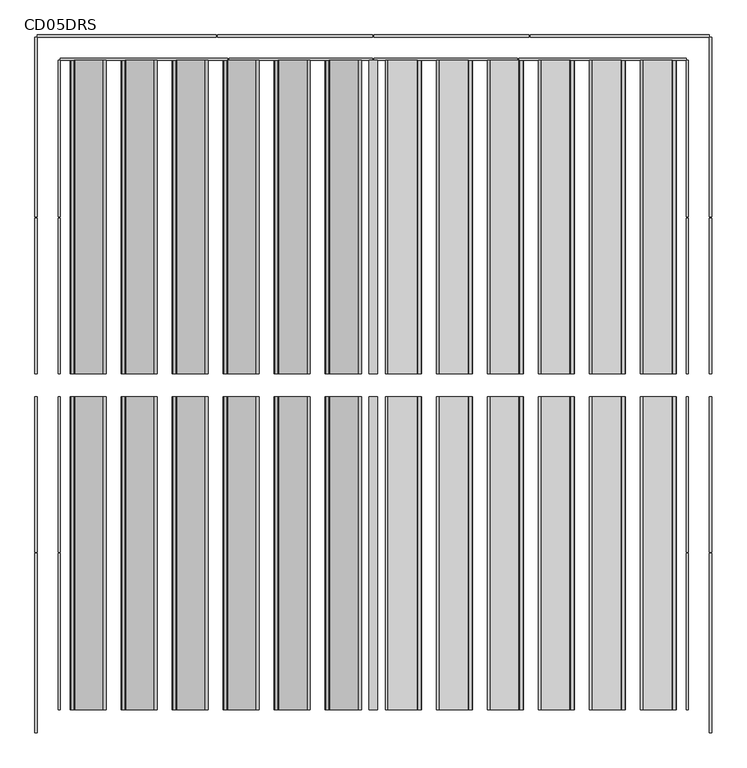
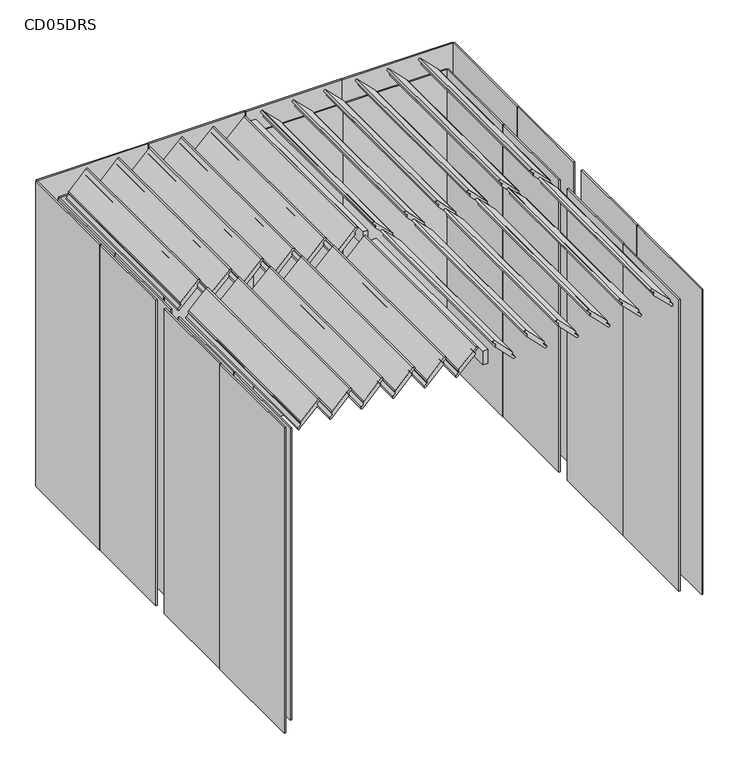
"""IFC4 building model written with IfcOpenShell, lengths in millimetres: furniture geometry, CD05DRS."""

from ifc_helpers import new_model, si_unit, point, frame, frame_2d, origin, origin_with_axes, place, context, project, spatial, polyline, circle_curve, trimmed, segment, composite_curve, outline, extrude, source, transform, mapped, element, save


def cd05drs_483e5000(model_context):
    return source(origin(), model_context, "Body", "SweptSolid", [
        extrude(outline(polyline([(-17.5, 1400.0), (17.5, 1400.0), (17.5, 50.0), (-17.5, 50.0), (-17.5, 1400.0)])), frame((0.0, 0.0, 2150.0), z_axis=(0.0, 0.0, 1.0), x_axis=(1.0, 0.0, 0.0)), (0.0, 0.0, 1.0), 100.0),
        extrude(outline(polyline([(-17.5, -1400.0), (-17.5, -50.0), (17.5, -50.0), (17.5, -1400.0), (-17.5, -1400.0)])), frame((0.0, 0.0, 2150.0), z_axis=(0.0, 0.0, 1.0), x_axis=(1.0, 0.0, 0.0)), (0.0, 0.0, 1.0), 100.0),
        extrude(outline(composite_curve([segment(trimmed(circle_curve(frame_2d((2291.3172798, 1159.2893219)), 7.5), [point((2296.6205807, 1164.5926227))], [point((2286.013979, 1153.986021))], False, "CARTESIAN"), True, "CONTINUOUS"), segment(polyline([(2286.013979, 1153.986021), (2268.3363094, 1171.6636906)]), True, "CONTINUOUS"), segment(trimmed(circle_curve(frame_2d((2263.0330086, 1166.3603897)), 7.5), [point((2268.3363094, 1171.6636906))], [point((2257.7297077, 1171.6636906))], True, "CARTESIAN"), True, "CONTINUOUS"), segment(trimmed(circle_curve(frame_2d((2252.4264069, 1176.9669914)), 7.5), [point((2257.7297077, 1171.6636906))], [point((2247.123106, 1171.6636906))], False, "CARTESIAN"), True, "CONTINUOUS"), segment(polyline([(2247.123106, 1171.6636906), (2123.3794193, 1295.4073773)]), True, "CONTINUOUS"), segment(trimmed(circle_curve(frame_2d((2128.6827202, 1300.7106781)), 7.5), [point((2123.3794193, 1295.4073773))], [point((2133.986021, 1306.013979))], False, "CARTESIAN"), True, "CONTINUOUS"), segment(polyline([(2133.986021, 1306.013979), (2151.6636906, 1288.3363094)]), True, "CONTINUOUS"), segment(trimmed(circle_curve(frame_2d((2156.9669914, 1293.6396103)), 7.5), [point((2151.6636906, 1288.3363094))], [point((2162.2702923, 1288.3363094))], True, "CARTESIAN"), True, "CONTINUOUS"), segment(trimmed(circle_curve(frame_2d((2167.5735931, 1283.0330086)), 7.5), [point((2162.2702923, 1288.3363094))], [point((2172.876894, 1288.3363094))], False, "CARTESIAN"), True, "CONTINUOUS"), segment(polyline([(2172.876894, 1288.3363094), (2296.6205807, 1164.5926227)]), True, "CONTINUOUS")], self_intersect=False)), frame((0.0, 50.0, 0.0), z_axis=(0.0, 1.0, 0.0), x_axis=(0.0, 0.0, 1.0)), (0.0, 0.0, 1.0), 1350.0),
        extrude(outline(composite_curve([segment(trimmed(circle_curve(frame_2d((2291.3172798, 939.2893219)), 7.5), [point((2296.6205807, 944.5926227))], [point((2286.013979, 933.986021))], False, "CARTESIAN"), True, "CONTINUOUS"), segment(polyline([(2286.013979, 933.986021), (2268.3363094, 951.6636906)]), True, "CONTINUOUS"), segment(trimmed(circle_curve(frame_2d((2263.0330086, 946.3603897)), 7.5), [point((2268.3363094, 951.6636906))], [point((2257.7297077, 951.6636906))], True, "CARTESIAN"), True, "CONTINUOUS"), segment(trimmed(circle_curve(frame_2d((2252.4264069, 956.9669914)), 7.5), [point((2257.7297077, 951.6636906))], [point((2247.123106, 951.6636906))], False, "CARTESIAN"), True, "CONTINUOUS"), segment(polyline([(2247.123106, 951.6636906), (2123.3794193, 1075.4073773)]), True, "CONTINUOUS"), segment(trimmed(circle_curve(frame_2d((2128.6827202, 1080.7106781)), 7.5), [point((2123.3794193, 1075.4073773))], [point((2133.986021, 1086.013979))], False, "CARTESIAN"), True, "CONTINUOUS"), segment(polyline([(2133.986021, 1086.013979), (2151.6636906, 1068.3363094)]), True, "CONTINUOUS"), segment(trimmed(circle_curve(frame_2d((2156.9669914, 1073.6396103)), 7.5), [point((2151.6636906, 1068.3363094))], [point((2162.2702923, 1068.3363094))], True, "CARTESIAN"), True, "CONTINUOUS"), segment(trimmed(circle_curve(frame_2d((2167.5735931, 1063.0330086)), 7.5), [point((2162.2702923, 1068.3363094))], [point((2172.876894, 1068.3363094))], False, "CARTESIAN"), True, "CONTINUOUS"), segment(polyline([(2172.876894, 1068.3363094), (2296.6205807, 944.5926227)]), True, "CONTINUOUS")], self_intersect=False)), frame((0.0, 50.0, 0.0), z_axis=(0.0, 1.0, 0.0), x_axis=(0.0, 0.0, 1.0)), (0.0, 0.0, 1.0), 1350.0),
        extrude(outline(composite_curve([segment(trimmed(circle_curve(frame_2d((2291.3172798, 719.2893219)), 7.5), [point((2296.6205807, 724.5926227))], [point((2286.013979, 713.986021))], False, "CARTESIAN"), True, "CONTINUOUS"), segment(polyline([(2286.013979, 713.986021), (2268.3363094, 731.6636906)]), True, "CONTINUOUS"), segment(trimmed(circle_curve(frame_2d((2263.0330086, 726.3603897)), 7.5), [point((2268.3363094, 731.6636906))], [point((2257.7297077, 731.6636906))], True, "CARTESIAN"), True, "CONTINUOUS"), segment(trimmed(circle_curve(frame_2d((2252.4264069, 736.9669914)), 7.5), [point((2257.7297077, 731.6636906))], [point((2247.123106, 731.6636906))], False, "CARTESIAN"), True, "CONTINUOUS"), segment(polyline([(2247.123106, 731.6636906), (2123.3794193, 855.4073773)]), True, "CONTINUOUS"), segment(trimmed(circle_curve(frame_2d((2128.6827202, 860.7106781)), 7.5), [point((2123.3794193, 855.4073773))], [point((2133.986021, 866.013979))], False, "CARTESIAN"), True, "CONTINUOUS"), segment(polyline([(2133.986021, 866.013979), (2151.6636906, 848.3363094)]), True, "CONTINUOUS"), segment(trimmed(circle_curve(frame_2d((2156.9669914, 853.6396103)), 7.5), [point((2151.6636906, 848.3363094))], [point((2162.2702923, 848.3363094))], True, "CARTESIAN"), True, "CONTINUOUS"), segment(trimmed(circle_curve(frame_2d((2167.5735931, 843.0330086)), 7.5), [point((2162.2702923, 848.3363094))], [point((2172.876894, 848.3363094))], False, "CARTESIAN"), True, "CONTINUOUS"), segment(polyline([(2172.876894, 848.3363094), (2296.6205807, 724.5926227)]), True, "CONTINUOUS")], self_intersect=False)), frame((0.0, 50.0, 0.0), z_axis=(0.0, 1.0, 0.0), x_axis=(0.0, 0.0, 1.0)), (0.0, 0.0, 1.0), 1350.0),
        extrude(outline(composite_curve([segment(trimmed(circle_curve(frame_2d((2291.3172798, 499.2893219)), 7.5), [point((2296.6205807, 504.5926227))], [point((2286.013979, 493.986021))], False, "CARTESIAN"), True, "CONTINUOUS"), segment(polyline([(2286.013979, 493.986021), (2268.3363094, 511.6636906)]), True, "CONTINUOUS"), segment(trimmed(circle_curve(frame_2d((2263.0330086, 506.3603897)), 7.5), [point((2268.3363094, 511.6636906))], [point((2257.7297077, 511.6636906))], True, "CARTESIAN"), True, "CONTINUOUS"), segment(trimmed(circle_curve(frame_2d((2252.4264069, 516.9669914)), 7.5), [point((2257.7297077, 511.6636906))], [point((2247.123106, 511.6636906))], False, "CARTESIAN"), True, "CONTINUOUS"), segment(polyline([(2247.123106, 511.6636906), (2123.3794193, 635.4073773)]), True, "CONTINUOUS"), segment(trimmed(circle_curve(frame_2d((2128.6827202, 640.7106781)), 7.5), [point((2123.3794193, 635.4073773))], [point((2133.986021, 646.013979))], False, "CARTESIAN"), True, "CONTINUOUS"), segment(polyline([(2133.986021, 646.013979), (2151.6636906, 628.3363094)]), True, "CONTINUOUS"), segment(trimmed(circle_curve(frame_2d((2156.9669914, 633.6396103)), 7.5), [point((2151.6636906, 628.3363094))], [point((2162.2702923, 628.3363094))], True, "CARTESIAN"), True, "CONTINUOUS"), segment(trimmed(circle_curve(frame_2d((2167.5735931, 623.0330086)), 7.5), [point((2162.2702923, 628.3363094))], [point((2172.876894, 628.3363094))], False, "CARTESIAN"), True, "CONTINUOUS"), segment(polyline([(2172.876894, 628.3363094), (2296.6205807, 504.5926227)]), True, "CONTINUOUS")], self_intersect=False)), frame((0.0, 50.0, 0.0), z_axis=(0.0, 1.0, 0.0), x_axis=(0.0, 0.0, 1.0)), (0.0, 0.0, 1.0), 1350.0),
        extrude(outline(composite_curve([segment(trimmed(circle_curve(frame_2d((2291.3172798, 279.2893219)), 7.5), [point((2296.6205807, 284.5926227))], [point((2286.013979, 273.986021))], False, "CARTESIAN"), True, "CONTINUOUS"), segment(polyline([(2286.013979, 273.986021), (2268.3363094, 291.6636906)]), True, "CONTINUOUS"), segment(trimmed(circle_curve(frame_2d((2263.0330086, 286.3603897)), 7.5), [point((2268.3363094, 291.6636906))], [point((2257.7297077, 291.6636906))], True, "CARTESIAN"), True, "CONTINUOUS"), segment(trimmed(circle_curve(frame_2d((2252.4264069, 296.9669914)), 7.5), [point((2257.7297077, 291.6636906))], [point((2247.123106, 291.6636906))], False, "CARTESIAN"), True, "CONTINUOUS"), segment(polyline([(2247.123106, 291.6636906), (2123.3794193, 415.4073773)]), True, "CONTINUOUS"), segment(trimmed(circle_curve(frame_2d((2128.6827202, 420.7106781)), 7.5), [point((2123.3794193, 415.4073773))], [point((2133.986021, 426.013979))], False, "CARTESIAN"), True, "CONTINUOUS"), segment(polyline([(2133.986021, 426.013979), (2151.6636906, 408.3363094)]), True, "CONTINUOUS"), segment(trimmed(circle_curve(frame_2d((2156.9669914, 413.6396103)), 7.5), [point((2151.6636906, 408.3363094))], [point((2162.2702923, 408.3363094))], True, "CARTESIAN"), True, "CONTINUOUS"), segment(trimmed(circle_curve(frame_2d((2167.5735931, 403.0330086)), 7.5), [point((2162.2702923, 408.3363094))], [point((2172.876894, 408.3363094))], False, "CARTESIAN"), True, "CONTINUOUS"), segment(polyline([(2172.876894, 408.3363094), (2296.6205807, 284.5926227)]), True, "CONTINUOUS")], self_intersect=False)), frame((0.0, 50.0, 0.0), z_axis=(0.0, 1.0, 0.0), x_axis=(0.0, 0.0, 1.0)), (0.0, 0.0, 1.0), 1350.0),
        extrude(outline(composite_curve([segment(trimmed(circle_curve(frame_2d((2291.3172798, 59.2893219)), 7.5), [point((2296.6205807, 64.5926227))], [point((2286.013979, 53.986021))], False, "CARTESIAN"), True, "CONTINUOUS"), segment(polyline([(2286.013979, 53.986021), (2268.3363094, 71.6636906)]), True, "CONTINUOUS"), segment(trimmed(circle_curve(frame_2d((2263.0330086, 66.3603897)), 7.5), [point((2268.3363094, 71.6636906))], [point((2257.7297077, 71.6636906))], True, "CARTESIAN"), True, "CONTINUOUS"), segment(trimmed(circle_curve(frame_2d((2252.4264069, 76.9669914)), 7.5), [point((2257.7297077, 71.6636906))], [point((2247.123106, 71.6636906))], False, "CARTESIAN"), True, "CONTINUOUS"), segment(polyline([(2247.123106, 71.6636906), (2123.3794193, 195.4073773)]), True, "CONTINUOUS"), segment(trimmed(circle_curve(frame_2d((2128.6827202, 200.7106781)), 7.5), [point((2123.3794193, 195.4073773))], [point((2133.986021, 206.013979))], False, "CARTESIAN"), True, "CONTINUOUS"), segment(polyline([(2133.986021, 206.013979), (2151.6636906, 188.3363094)]), True, "CONTINUOUS"), segment(trimmed(circle_curve(frame_2d((2156.9669914, 193.6396103)), 7.5), [point((2151.6636906, 188.3363094))], [point((2162.2702923, 188.3363094))], True, "CARTESIAN"), True, "CONTINUOUS"), segment(trimmed(circle_curve(frame_2d((2167.5735931, 183.0330086)), 7.5), [point((2162.2702923, 188.3363094))], [point((2172.876894, 188.3363094))], False, "CARTESIAN"), True, "CONTINUOUS"), segment(polyline([(2172.876894, 188.3363094), (2296.6205807, 64.5926227)]), True, "CONTINUOUS")], self_intersect=False)), frame((0.0, 50.0, 0.0), z_axis=(0.0, 1.0, 0.0), x_axis=(0.0, 0.0, 1.0)), (0.0, 0.0, 1.0), 1350.0),
        extrude(outline(composite_curve([segment(polyline([(2296.6205807, -1164.5926227), (2172.876894, -1288.3363094)]), True, "CONTINUOUS"), segment(trimmed(circle_curve(frame_2d((2167.5735931, -1283.0330086)), 7.5), [point((2172.876894, -1288.3363094))], [point((2162.2702923, -1288.3363094))], False, "CARTESIAN"), True, "CONTINUOUS"), segment(trimmed(circle_curve(frame_2d((2156.9669914, -1293.6396103)), 7.5), [point((2162.2702923, -1288.3363094))], [point((2151.6636906, -1288.3363094))], True, "CARTESIAN"), True, "CONTINUOUS"), segment(polyline([(2151.6636906, -1288.3363094), (2133.986021, -1306.013979)]), True, "CONTINUOUS"), segment(trimmed(circle_curve(frame_2d((2128.6827202, -1300.7106781)), 7.5), [point((2133.986021, -1306.013979))], [point((2123.3794193, -1295.4073773))], False, "CARTESIAN"), True, "CONTINUOUS"), segment(polyline([(2123.3794193, -1295.4073773), (2247.123106, -1171.6636906)]), True, "CONTINUOUS"), segment(trimmed(circle_curve(frame_2d((2252.4264069, -1176.9669914)), 7.5), [point((2247.123106, -1171.6636906))], [point((2257.7297077, -1171.6636906))], False, "CARTESIAN"), True, "CONTINUOUS"), segment(trimmed(circle_curve(frame_2d((2263.0330086, -1166.3603897)), 7.5), [point((2257.7297077, -1171.6636906))], [point((2268.3363094, -1171.6636906))], True, "CARTESIAN"), True, "CONTINUOUS"), segment(polyline([(2268.3363094, -1171.6636906), (2286.013979, -1153.986021)]), True, "CONTINUOUS"), segment(trimmed(circle_curve(frame_2d((2291.3172798, -1159.2893219)), 7.5), [point((2286.013979, -1153.986021))], [point((2296.6205807, -1164.5926227))], False, "CARTESIAN"), True, "CONTINUOUS")], self_intersect=False)), frame((0.0, 50.0, 0.0), z_axis=(0.0, 1.0, 0.0), x_axis=(0.0, 0.0, 1.0)), (0.0, 0.0, 1.0), 1350.0),
        extrude(outline(composite_curve([segment(polyline([(2296.6205807, -944.5926227), (2172.876894, -1068.3363094)]), True, "CONTINUOUS"), segment(trimmed(circle_curve(frame_2d((2167.5735931, -1063.0330086)), 7.5), [point((2172.876894, -1068.3363094))], [point((2162.2702923, -1068.3363094))], False, "CARTESIAN"), True, "CONTINUOUS"), segment(trimmed(circle_curve(frame_2d((2156.9669914, -1073.6396103)), 7.5), [point((2162.2702923, -1068.3363094))], [point((2151.6636906, -1068.3363094))], True, "CARTESIAN"), True, "CONTINUOUS"), segment(polyline([(2151.6636906, -1068.3363094), (2133.986021, -1086.013979)]), True, "CONTINUOUS"), segment(trimmed(circle_curve(frame_2d((2128.6827202, -1080.7106781)), 7.5), [point((2133.986021, -1086.013979))], [point((2123.3794193, -1075.4073773))], False, "CARTESIAN"), True, "CONTINUOUS"), segment(polyline([(2123.3794193, -1075.4073773), (2247.123106, -951.6636906)]), True, "CONTINUOUS"), segment(trimmed(circle_curve(frame_2d((2252.4264069, -956.9669914)), 7.5), [point((2247.123106, -951.6636906))], [point((2257.7297077, -951.6636906))], False, "CARTESIAN"), True, "CONTINUOUS"), segment(trimmed(circle_curve(frame_2d((2263.0330086, -946.3603897)), 7.5), [point((2257.7297077, -951.6636906))], [point((2268.3363094, -951.6636906))], True, "CARTESIAN"), True, "CONTINUOUS"), segment(polyline([(2268.3363094, -951.6636906), (2286.013979, -933.986021)]), True, "CONTINUOUS"), segment(trimmed(circle_curve(frame_2d((2291.3172798, -939.2893219)), 7.5), [point((2286.013979, -933.986021))], [point((2296.6205807, -944.5926227))], False, "CARTESIAN"), True, "CONTINUOUS")], self_intersect=False)), frame((0.0, 50.0, 0.0), z_axis=(0.0, 1.0, 0.0), x_axis=(0.0, 0.0, 1.0)), (0.0, 0.0, 1.0), 1350.0),
        extrude(outline(composite_curve([segment(polyline([(2296.6205807, -724.5926227), (2172.876894, -848.3363094)]), True, "CONTINUOUS"), segment(trimmed(circle_curve(frame_2d((2167.5735931, -843.0330086)), 7.5), [point((2172.876894, -848.3363094))], [point((2162.2702923, -848.3363094))], False, "CARTESIAN"), True, "CONTINUOUS"), segment(trimmed(circle_curve(frame_2d((2156.9669914, -853.6396103)), 7.5), [point((2162.2702923, -848.3363094))], [point((2151.6636906, -848.3363094))], True, "CARTESIAN"), True, "CONTINUOUS"), segment(polyline([(2151.6636906, -848.3363094), (2133.986021, -866.013979)]), True, "CONTINUOUS"), segment(trimmed(circle_curve(frame_2d((2128.6827202, -860.7106781)), 7.5), [point((2133.986021, -866.013979))], [point((2123.3794193, -855.4073773))], False, "CARTESIAN"), True, "CONTINUOUS"), segment(polyline([(2123.3794193, -855.4073773), (2247.123106, -731.6636906)]), True, "CONTINUOUS"), segment(trimmed(circle_curve(frame_2d((2252.4264069, -736.9669914)), 7.5), [point((2247.123106, -731.6636906))], [point((2257.7297077, -731.6636906))], False, "CARTESIAN"), True, "CONTINUOUS"), segment(trimmed(circle_curve(frame_2d((2263.0330086, -726.3603897)), 7.5), [point((2257.7297077, -731.6636906))], [point((2268.3363094, -731.6636906))], True, "CARTESIAN"), True, "CONTINUOUS"), segment(polyline([(2268.3363094, -731.6636906), (2286.013979, -713.986021)]), True, "CONTINUOUS"), segment(trimmed(circle_curve(frame_2d((2291.3172798, -719.2893219)), 7.5), [point((2286.013979, -713.986021))], [point((2296.6205807, -724.5926227))], False, "CARTESIAN"), True, "CONTINUOUS")], self_intersect=False)), frame((0.0, 50.0, 0.0), z_axis=(0.0, 1.0, 0.0), x_axis=(0.0, 0.0, 1.0)), (0.0, 0.0, 1.0), 1350.0),
        extrude(outline(composite_curve([segment(polyline([(2296.6205807, -504.5926227), (2172.876894, -628.3363094)]), True, "CONTINUOUS"), segment(trimmed(circle_curve(frame_2d((2167.5735931, -623.0330086)), 7.5), [point((2172.876894, -628.3363094))], [point((2162.2702923, -628.3363094))], False, "CARTESIAN"), True, "CONTINUOUS"), segment(trimmed(circle_curve(frame_2d((2156.9669914, -633.6396103)), 7.5), [point((2162.2702923, -628.3363094))], [point((2151.6636906, -628.3363094))], True, "CARTESIAN"), True, "CONTINUOUS"), segment(polyline([(2151.6636906, -628.3363094), (2133.986021, -646.013979)]), True, "CONTINUOUS"), segment(trimmed(circle_curve(frame_2d((2128.6827202, -640.7106781)), 7.5), [point((2133.986021, -646.013979))], [point((2123.3794193, -635.4073773))], False, "CARTESIAN"), True, "CONTINUOUS"), segment(polyline([(2123.3794193, -635.4073773), (2247.123106, -511.6636906)]), True, "CONTINUOUS"), segment(trimmed(circle_curve(frame_2d((2252.4264069, -516.9669914)), 7.5), [point((2247.123106, -511.6636906))], [point((2257.7297077, -511.6636906))], False, "CARTESIAN"), True, "CONTINUOUS"), segment(trimmed(circle_curve(frame_2d((2263.0330086, -506.3603897)), 7.5), [point((2257.7297077, -511.6636906))], [point((2268.3363094, -511.6636906))], True, "CARTESIAN"), True, "CONTINUOUS"), segment(polyline([(2268.3363094, -511.6636906), (2286.013979, -493.986021)]), True, "CONTINUOUS"), segment(trimmed(circle_curve(frame_2d((2291.3172798, -499.2893219)), 7.5), [point((2286.013979, -493.986021))], [point((2296.6205807, -504.5926227))], False, "CARTESIAN"), True, "CONTINUOUS")], self_intersect=False)), frame((0.0, 50.0, 0.0), z_axis=(0.0, 1.0, 0.0), x_axis=(0.0, 0.0, 1.0)), (0.0, 0.0, 1.0), 1350.0),
        extrude(outline(composite_curve([segment(polyline([(2296.6205807, -284.5926227), (2172.876894, -408.3363094)]), True, "CONTINUOUS"), segment(trimmed(circle_curve(frame_2d((2167.5735931, -403.0330086)), 7.5), [point((2172.876894, -408.3363094))], [point((2162.2702923, -408.3363094))], False, "CARTESIAN"), True, "CONTINUOUS"), segment(trimmed(circle_curve(frame_2d((2156.9669914, -413.6396103)), 7.5), [point((2162.2702923, -408.3363094))], [point((2151.6636906, -408.3363094))], True, "CARTESIAN"), True, "CONTINUOUS"), segment(polyline([(2151.6636906, -408.3363094), (2133.986021, -426.013979)]), True, "CONTINUOUS"), segment(trimmed(circle_curve(frame_2d((2128.6827202, -420.7106781)), 7.5), [point((2133.986021, -426.013979))], [point((2123.3794193, -415.4073773))], False, "CARTESIAN"), True, "CONTINUOUS"), segment(polyline([(2123.3794193, -415.4073773), (2247.123106, -291.6636906)]), True, "CONTINUOUS"), segment(trimmed(circle_curve(frame_2d((2252.4264069, -296.9669914)), 7.5), [point((2247.123106, -291.6636906))], [point((2257.7297077, -291.6636906))], False, "CARTESIAN"), True, "CONTINUOUS"), segment(trimmed(circle_curve(frame_2d((2263.0330086, -286.3603897)), 7.5), [point((2257.7297077, -291.6636906))], [point((2268.3363094, -291.6636906))], True, "CARTESIAN"), True, "CONTINUOUS"), segment(polyline([(2268.3363094, -291.6636906), (2286.013979, -273.986021)]), True, "CONTINUOUS"), segment(trimmed(circle_curve(frame_2d((2291.3172798, -279.2893219)), 7.5), [point((2286.013979, -273.986021))], [point((2296.6205807, -284.5926227))], False, "CARTESIAN"), True, "CONTINUOUS")], self_intersect=False)), frame((0.0, 50.0, 0.0), z_axis=(0.0, 1.0, 0.0), x_axis=(0.0, 0.0, 1.0)), (0.0, 0.0, 1.0), 1350.0),
        extrude(outline(composite_curve([segment(polyline([(2296.6205807, -64.5926227), (2172.876894, -188.3363094)]), True, "CONTINUOUS"), segment(trimmed(circle_curve(frame_2d((2167.5735931, -183.0330086)), 7.5), [point((2172.876894, -188.3363094))], [point((2162.2702923, -188.3363094))], False, "CARTESIAN"), True, "CONTINUOUS"), segment(trimmed(circle_curve(frame_2d((2156.9669914, -193.6396103)), 7.5), [point((2162.2702923, -188.3363094))], [point((2151.6636906, -188.3363094))], True, "CARTESIAN"), True, "CONTINUOUS"), segment(polyline([(2151.6636906, -188.3363094), (2133.986021, -206.013979)]), True, "CONTINUOUS"), segment(trimmed(circle_curve(frame_2d((2128.6827202, -200.7106781)), 7.5), [point((2133.986021, -206.013979))], [point((2123.3794193, -195.4073773))], False, "CARTESIAN"), True, "CONTINUOUS"), segment(polyline([(2123.3794193, -195.4073773), (2247.123106, -71.6636906)]), True, "CONTINUOUS"), segment(trimmed(circle_curve(frame_2d((2252.4264069, -76.9669914)), 7.5), [point((2247.123106, -71.6636906))], [point((2257.7297077, -71.6636906))], False, "CARTESIAN"), True, "CONTINUOUS"), segment(trimmed(circle_curve(frame_2d((2263.0330086, -66.3603897)), 7.5), [point((2257.7297077, -71.6636906))], [point((2268.3363094, -71.6636906))], True, "CARTESIAN"), True, "CONTINUOUS"), segment(polyline([(2268.3363094, -71.6636906), (2286.013979, -53.986021)]), True, "CONTINUOUS"), segment(trimmed(circle_curve(frame_2d((2291.3172798, -59.2893219)), 7.5), [point((2286.013979, -53.986021))], [point((2296.6205807, -64.5926227))], False, "CARTESIAN"), True, "CONTINUOUS")], self_intersect=False)), frame((0.0, 50.0, 0.0), z_axis=(0.0, 1.0, 0.0), x_axis=(0.0, 0.0, 1.0)), (0.0, 0.0, 1.0), 1350.0),
        extrude(outline(composite_curve([segment(trimmed(circle_curve(frame_2d((2291.3172798, 1159.2893219)), 7.5), [point((2296.6205807, 1164.5926227))], [point((2286.013979, 1153.986021))], False, "CARTESIAN"), True, "CONTINUOUS"), segment(polyline([(2286.013979, 1153.986021), (2268.3363094, 1171.6636906)]), True, "CONTINUOUS"), segment(trimmed(circle_curve(frame_2d((2263.0330086, 1166.3603897)), 7.5), [point((2268.3363094, 1171.6636906))], [point((2257.7297077, 1171.6636906))], True, "CARTESIAN"), True, "CONTINUOUS"), segment(trimmed(circle_curve(frame_2d((2252.4264069, 1176.9669914)), 7.5), [point((2257.7297077, 1171.6636906))], [point((2247.123106, 1171.6636906))], False, "CARTESIAN"), True, "CONTINUOUS"), segment(polyline([(2247.123106, 1171.6636906), (2123.3794193, 1295.4073773)]), True, "CONTINUOUS"), segment(trimmed(circle_curve(frame_2d((2128.6827202, 1300.7106781)), 7.5), [point((2123.3794193, 1295.4073773))], [point((2133.986021, 1306.013979))], False, "CARTESIAN"), True, "CONTINUOUS"), segment(polyline([(2133.986021, 1306.013979), (2151.6636906, 1288.3363094)]), True, "CONTINUOUS"), segment(trimmed(circle_curve(frame_2d((2156.9669914, 1293.6396103)), 7.5), [point((2151.6636906, 1288.3363094))], [point((2162.2702923, 1288.3363094))], True, "CARTESIAN"), True, "CONTINUOUS"), segment(trimmed(circle_curve(frame_2d((2167.5735931, 1283.0330086)), 7.5), [point((2162.2702923, 1288.3363094))], [point((2172.876894, 1288.3363094))], False, "CARTESIAN"), True, "CONTINUOUS"), segment(polyline([(2172.876894, 1288.3363094), (2296.6205807, 1164.5926227)]), True, "CONTINUOUS")], self_intersect=False)), frame((0.0, -1400.0, 0.0), z_axis=(0.0, 1.0, 0.0), x_axis=(0.0, 0.0, 1.0)), (0.0, 0.0, 1.0), 1350.0),
        extrude(outline(composite_curve([segment(trimmed(circle_curve(frame_2d((2291.3172798, 939.2893219)), 7.5), [point((2296.6205807, 944.5926227))], [point((2286.013979, 933.986021))], False, "CARTESIAN"), True, "CONTINUOUS"), segment(polyline([(2286.013979, 933.986021), (2268.3363094, 951.6636906)]), True, "CONTINUOUS"), segment(trimmed(circle_curve(frame_2d((2263.0330086, 946.3603897)), 7.5), [point((2268.3363094, 951.6636906))], [point((2257.7297077, 951.6636906))], True, "CARTESIAN"), True, "CONTINUOUS"), segment(trimmed(circle_curve(frame_2d((2252.4264069, 956.9669914)), 7.5), [point((2257.7297077, 951.6636906))], [point((2247.123106, 951.6636906))], False, "CARTESIAN"), True, "CONTINUOUS"), segment(polyline([(2247.123106, 951.6636906), (2123.3794193, 1075.4073773)]), True, "CONTINUOUS"), segment(trimmed(circle_curve(frame_2d((2128.6827202, 1080.7106781)), 7.5), [point((2123.3794193, 1075.4073773))], [point((2133.986021, 1086.013979))], False, "CARTESIAN"), True, "CONTINUOUS"), segment(polyline([(2133.986021, 1086.013979), (2151.6636906, 1068.3363094)]), True, "CONTINUOUS"), segment(trimmed(circle_curve(frame_2d((2156.9669914, 1073.6396103)), 7.5), [point((2151.6636906, 1068.3363094))], [point((2162.2702923, 1068.3363094))], True, "CARTESIAN"), True, "CONTINUOUS"), segment(trimmed(circle_curve(frame_2d((2167.5735931, 1063.0330086)), 7.5), [point((2162.2702923, 1068.3363094))], [point((2172.876894, 1068.3363094))], False, "CARTESIAN"), True, "CONTINUOUS"), segment(polyline([(2172.876894, 1068.3363094), (2296.6205807, 944.5926227)]), True, "CONTINUOUS")], self_intersect=False)), frame((0.0, -1400.0, 0.0), z_axis=(0.0, 1.0, 0.0), x_axis=(0.0, 0.0, 1.0)), (0.0, 0.0, 1.0), 1350.0),
        extrude(outline(composite_curve([segment(trimmed(circle_curve(frame_2d((2291.3172798, 719.2893219)), 7.5), [point((2296.6205807, 724.5926227))], [point((2286.013979, 713.986021))], False, "CARTESIAN"), True, "CONTINUOUS"), segment(polyline([(2286.013979, 713.986021), (2268.3363094, 731.6636906)]), True, "CONTINUOUS"), segment(trimmed(circle_curve(frame_2d((2263.0330086, 726.3603897)), 7.5), [point((2268.3363094, 731.6636906))], [point((2257.7297077, 731.6636906))], True, "CARTESIAN"), True, "CONTINUOUS"), segment(trimmed(circle_curve(frame_2d((2252.4264069, 736.9669914)), 7.5), [point((2257.7297077, 731.6636906))], [point((2247.123106, 731.6636906))], False, "CARTESIAN"), True, "CONTINUOUS"), segment(polyline([(2247.123106, 731.6636906), (2123.3794193, 855.4073773)]), True, "CONTINUOUS"), segment(trimmed(circle_curve(frame_2d((2128.6827202, 860.7106781)), 7.5), [point((2123.3794193, 855.4073773))], [point((2133.986021, 866.013979))], False, "CARTESIAN"), True, "CONTINUOUS"), segment(polyline([(2133.986021, 866.013979), (2151.6636906, 848.3363094)]), True, "CONTINUOUS"), segment(trimmed(circle_curve(frame_2d((2156.9669914, 853.6396103)), 7.5), [point((2151.6636906, 848.3363094))], [point((2162.2702923, 848.3363094))], True, "CARTESIAN"), True, "CONTINUOUS"), segment(trimmed(circle_curve(frame_2d((2167.5735931, 843.0330086)), 7.5), [point((2162.2702923, 848.3363094))], [point((2172.876894, 848.3363094))], False, "CARTESIAN"), True, "CONTINUOUS"), segment(polyline([(2172.876894, 848.3363094), (2296.6205807, 724.5926227)]), True, "CONTINUOUS")], self_intersect=False)), frame((0.0, -1400.0, 0.0), z_axis=(0.0, 1.0, 0.0), x_axis=(0.0, 0.0, 1.0)), (0.0, 0.0, 1.0), 1350.0),
        extrude(outline(composite_curve([segment(trimmed(circle_curve(frame_2d((2291.3172798, 499.2893219)), 7.5), [point((2296.6205807, 504.5926227))], [point((2286.013979, 493.986021))], False, "CARTESIAN"), True, "CONTINUOUS"), segment(polyline([(2286.013979, 493.986021), (2268.3363094, 511.6636906)]), True, "CONTINUOUS"), segment(trimmed(circle_curve(frame_2d((2263.0330086, 506.3603897)), 7.5), [point((2268.3363094, 511.6636906))], [point((2257.7297077, 511.6636906))], True, "CARTESIAN"), True, "CONTINUOUS"), segment(trimmed(circle_curve(frame_2d((2252.4264069, 516.9669914)), 7.5), [point((2257.7297077, 511.6636906))], [point((2247.123106, 511.6636906))], False, "CARTESIAN"), True, "CONTINUOUS"), segment(polyline([(2247.123106, 511.6636906), (2123.3794193, 635.4073773)]), True, "CONTINUOUS"), segment(trimmed(circle_curve(frame_2d((2128.6827202, 640.7106781)), 7.5), [point((2123.3794193, 635.4073773))], [point((2133.986021, 646.013979))], False, "CARTESIAN"), True, "CONTINUOUS"), segment(polyline([(2133.986021, 646.013979), (2151.6636906, 628.3363094)]), True, "CONTINUOUS"), segment(trimmed(circle_curve(frame_2d((2156.9669914, 633.6396103)), 7.5), [point((2151.6636906, 628.3363094))], [point((2162.2702923, 628.3363094))], True, "CARTESIAN"), True, "CONTINUOUS"), segment(trimmed(circle_curve(frame_2d((2167.5735931, 623.0330086)), 7.5), [point((2162.2702923, 628.3363094))], [point((2172.876894, 628.3363094))], False, "CARTESIAN"), True, "CONTINUOUS"), segment(polyline([(2172.876894, 628.3363094), (2296.6205807, 504.5926227)]), True, "CONTINUOUS")], self_intersect=False)), frame((0.0, -1400.0, 0.0), z_axis=(0.0, 1.0, 0.0), x_axis=(0.0, 0.0, 1.0)), (0.0, 0.0, 1.0), 1350.0),
        extrude(outline(composite_curve([segment(trimmed(circle_curve(frame_2d((2291.3172798, 279.2893219)), 7.5), [point((2296.6205807, 284.5926227))], [point((2286.013979, 273.986021))], False, "CARTESIAN"), True, "CONTINUOUS"), segment(polyline([(2286.013979, 273.986021), (2268.3363094, 291.6636906)]), True, "CONTINUOUS"), segment(trimmed(circle_curve(frame_2d((2263.0330086, 286.3603897)), 7.5), [point((2268.3363094, 291.6636906))], [point((2257.7297077, 291.6636906))], True, "CARTESIAN"), True, "CONTINUOUS"), segment(trimmed(circle_curve(frame_2d((2252.4264069, 296.9669914)), 7.5), [point((2257.7297077, 291.6636906))], [point((2247.123106, 291.6636906))], False, "CARTESIAN"), True, "CONTINUOUS"), segment(polyline([(2247.123106, 291.6636906), (2123.3794193, 415.4073773)]), True, "CONTINUOUS"), segment(trimmed(circle_curve(frame_2d((2128.6827202, 420.7106781)), 7.5), [point((2123.3794193, 415.4073773))], [point((2133.986021, 426.013979))], False, "CARTESIAN"), True, "CONTINUOUS"), segment(polyline([(2133.986021, 426.013979), (2151.6636906, 408.3363094)]), True, "CONTINUOUS"), segment(trimmed(circle_curve(frame_2d((2156.9669914, 413.6396103)), 7.5), [point((2151.6636906, 408.3363094))], [point((2162.2702923, 408.3363094))], True, "CARTESIAN"), True, "CONTINUOUS"), segment(trimmed(circle_curve(frame_2d((2167.5735931, 403.0330086)), 7.5), [point((2162.2702923, 408.3363094))], [point((2172.876894, 408.3363094))], False, "CARTESIAN"), True, "CONTINUOUS"), segment(polyline([(2172.876894, 408.3363094), (2296.6205807, 284.5926227)]), True, "CONTINUOUS")], self_intersect=False)), frame((0.0, -1400.0, 0.0), z_axis=(0.0, 1.0, 0.0), x_axis=(0.0, 0.0, 1.0)), (0.0, 0.0, 1.0), 1350.0),
        extrude(outline(composite_curve([segment(trimmed(circle_curve(frame_2d((2291.3172798, 59.2893219)), 7.5), [point((2296.6205807, 64.5926227))], [point((2286.013979, 53.986021))], False, "CARTESIAN"), True, "CONTINUOUS"), segment(polyline([(2286.013979, 53.986021), (2268.3363094, 71.6636906)]), True, "CONTINUOUS"), segment(trimmed(circle_curve(frame_2d((2263.0330086, 66.3603897)), 7.5), [point((2268.3363094, 71.6636906))], [point((2257.7297077, 71.6636906))], True, "CARTESIAN"), True, "CONTINUOUS"), segment(trimmed(circle_curve(frame_2d((2252.4264069, 76.9669914)), 7.5), [point((2257.7297077, 71.6636906))], [point((2247.123106, 71.6636906))], False, "CARTESIAN"), True, "CONTINUOUS"), segment(polyline([(2247.123106, 71.6636906), (2123.3794193, 195.4073773)]), True, "CONTINUOUS"), segment(trimmed(circle_curve(frame_2d((2128.6827202, 200.7106781)), 7.5), [point((2123.3794193, 195.4073773))], [point((2133.986021, 206.013979))], False, "CARTESIAN"), True, "CONTINUOUS"), segment(polyline([(2133.986021, 206.013979), (2151.6636906, 188.3363094)]), True, "CONTINUOUS"), segment(trimmed(circle_curve(frame_2d((2156.9669914, 193.6396103)), 7.5), [point((2151.6636906, 188.3363094))], [point((2162.2702923, 188.3363094))], True, "CARTESIAN"), True, "CONTINUOUS"), segment(trimmed(circle_curve(frame_2d((2167.5735931, 183.0330086)), 7.5), [point((2162.2702923, 188.3363094))], [point((2172.876894, 188.3363094))], False, "CARTESIAN"), True, "CONTINUOUS"), segment(polyline([(2172.876894, 188.3363094), (2296.6205807, 64.5926227)]), True, "CONTINUOUS")], self_intersect=False)), frame((0.0, -1400.0, 0.0), z_axis=(0.0, 1.0, 0.0), x_axis=(0.0, 0.0, 1.0)), (0.0, 0.0, 1.0), 1350.0),
        extrude(outline(composite_curve([segment(polyline([(2296.6205807, -1164.5926227), (2172.876894, -1288.3363094)]), True, "CONTINUOUS"), segment(trimmed(circle_curve(frame_2d((2167.5735931, -1283.0330086)), 7.5), [point((2172.876894, -1288.3363094))], [point((2162.2702923, -1288.3363094))], False, "CARTESIAN"), True, "CONTINUOUS"), segment(trimmed(circle_curve(frame_2d((2156.9669914, -1293.6396103)), 7.5), [point((2162.2702923, -1288.3363094))], [point((2151.6636906, -1288.3363094))], True, "CARTESIAN"), True, "CONTINUOUS"), segment(polyline([(2151.6636906, -1288.3363094), (2133.986021, -1306.013979)]), True, "CONTINUOUS"), segment(trimmed(circle_curve(frame_2d((2128.6827202, -1300.7106781)), 7.5), [point((2133.986021, -1306.013979))], [point((2123.3794193, -1295.4073773))], False, "CARTESIAN"), True, "CONTINUOUS"), segment(polyline([(2123.3794193, -1295.4073773), (2247.123106, -1171.6636906)]), True, "CONTINUOUS"), segment(trimmed(circle_curve(frame_2d((2252.4264069, -1176.9669914)), 7.5), [point((2247.123106, -1171.6636906))], [point((2257.7297077, -1171.6636906))], False, "CARTESIAN"), True, "CONTINUOUS"), segment(trimmed(circle_curve(frame_2d((2263.0330086, -1166.3603897)), 7.5), [point((2257.7297077, -1171.6636906))], [point((2268.3363094, -1171.6636906))], True, "CARTESIAN"), True, "CONTINUOUS"), segment(polyline([(2268.3363094, -1171.6636906), (2286.013979, -1153.986021)]), True, "CONTINUOUS"), segment(trimmed(circle_curve(frame_2d((2291.3172798, -1159.2893219)), 7.5), [point((2286.013979, -1153.986021))], [point((2296.6205807, -1164.5926227))], False, "CARTESIAN"), True, "CONTINUOUS")], self_intersect=False)), frame((0.0, -1400.0, 0.0), z_axis=(0.0, 1.0, 0.0), x_axis=(0.0, 0.0, 1.0)), (0.0, 0.0, 1.0), 1350.0),
        extrude(outline(composite_curve([segment(polyline([(2296.6205807, -944.5926227), (2172.876894, -1068.3363094)]), True, "CONTINUOUS"), segment(trimmed(circle_curve(frame_2d((2167.5735931, -1063.0330086)), 7.5), [point((2172.876894, -1068.3363094))], [point((2162.2702923, -1068.3363094))], False, "CARTESIAN"), True, "CONTINUOUS"), segment(trimmed(circle_curve(frame_2d((2156.9669914, -1073.6396103)), 7.5), [point((2162.2702923, -1068.3363094))], [point((2151.6636906, -1068.3363094))], True, "CARTESIAN"), True, "CONTINUOUS"), segment(polyline([(2151.6636906, -1068.3363094), (2133.986021, -1086.013979)]), True, "CONTINUOUS"), segment(trimmed(circle_curve(frame_2d((2128.6827202, -1080.7106781)), 7.5), [point((2133.986021, -1086.013979))], [point((2123.3794193, -1075.4073773))], False, "CARTESIAN"), True, "CONTINUOUS"), segment(polyline([(2123.3794193, -1075.4073773), (2247.123106, -951.6636906)]), True, "CONTINUOUS"), segment(trimmed(circle_curve(frame_2d((2252.4264069, -956.9669914)), 7.5), [point((2247.123106, -951.6636906))], [point((2257.7297077, -951.6636906))], False, "CARTESIAN"), True, "CONTINUOUS"), segment(trimmed(circle_curve(frame_2d((2263.0330086, -946.3603897)), 7.5), [point((2257.7297077, -951.6636906))], [point((2268.3363094, -951.6636906))], True, "CARTESIAN"), True, "CONTINUOUS"), segment(polyline([(2268.3363094, -951.6636906), (2286.013979, -933.986021)]), True, "CONTINUOUS"), segment(trimmed(circle_curve(frame_2d((2291.3172798, -939.2893219)), 7.5), [point((2286.013979, -933.986021))], [point((2296.6205807, -944.5926227))], False, "CARTESIAN"), True, "CONTINUOUS")], self_intersect=False)), frame((0.0, -1400.0, 0.0), z_axis=(0.0, 1.0, 0.0), x_axis=(0.0, 0.0, 1.0)), (0.0, 0.0, 1.0), 1350.0),
        extrude(outline(composite_curve([segment(polyline([(2296.6205807, -724.5926227), (2172.876894, -848.3363094)]), True, "CONTINUOUS"), segment(trimmed(circle_curve(frame_2d((2167.5735931, -843.0330086)), 7.5), [point((2172.876894, -848.3363094))], [point((2162.2702923, -848.3363094))], False, "CARTESIAN"), True, "CONTINUOUS"), segment(trimmed(circle_curve(frame_2d((2156.9669914, -853.6396103)), 7.5), [point((2162.2702923, -848.3363094))], [point((2151.6636906, -848.3363094))], True, "CARTESIAN"), True, "CONTINUOUS"), segment(polyline([(2151.6636906, -848.3363094), (2133.986021, -866.013979)]), True, "CONTINUOUS"), segment(trimmed(circle_curve(frame_2d((2128.6827202, -860.7106781)), 7.5), [point((2133.986021, -866.013979))], [point((2123.3794193, -855.4073773))], False, "CARTESIAN"), True, "CONTINUOUS"), segment(polyline([(2123.3794193, -855.4073773), (2247.123106, -731.6636906)]), True, "CONTINUOUS"), segment(trimmed(circle_curve(frame_2d((2252.4264069, -736.9669914)), 7.5), [point((2247.123106, -731.6636906))], [point((2257.7297077, -731.6636906))], False, "CARTESIAN"), True, "CONTINUOUS"), segment(trimmed(circle_curve(frame_2d((2263.0330086, -726.3603897)), 7.5), [point((2257.7297077, -731.6636906))], [point((2268.3363094, -731.6636906))], True, "CARTESIAN"), True, "CONTINUOUS"), segment(polyline([(2268.3363094, -731.6636906), (2286.013979, -713.986021)]), True, "CONTINUOUS"), segment(trimmed(circle_curve(frame_2d((2291.3172798, -719.2893219)), 7.5), [point((2286.013979, -713.986021))], [point((2296.6205807, -724.5926227))], False, "CARTESIAN"), True, "CONTINUOUS")], self_intersect=False)), frame((0.0, -1400.0, 0.0), z_axis=(0.0, 1.0, 0.0), x_axis=(0.0, 0.0, 1.0)), (0.0, 0.0, 1.0), 1350.0),
        extrude(outline(composite_curve([segment(polyline([(2296.6205807, -504.5926227), (2172.876894, -628.3363094)]), True, "CONTINUOUS"), segment(trimmed(circle_curve(frame_2d((2167.5735931, -623.0330086)), 7.5), [point((2172.876894, -628.3363094))], [point((2162.2702923, -628.3363094))], False, "CARTESIAN"), True, "CONTINUOUS"), segment(trimmed(circle_curve(frame_2d((2156.9669914, -633.6396103)), 7.5), [point((2162.2702923, -628.3363094))], [point((2151.6636906, -628.3363094))], True, "CARTESIAN"), True, "CONTINUOUS"), segment(polyline([(2151.6636906, -628.3363094), (2133.986021, -646.013979)]), True, "CONTINUOUS"), segment(trimmed(circle_curve(frame_2d((2128.6827202, -640.7106781)), 7.5), [point((2133.986021, -646.013979))], [point((2123.3794193, -635.4073773))], False, "CARTESIAN"), True, "CONTINUOUS"), segment(polyline([(2123.3794193, -635.4073773), (2247.123106, -511.6636906)]), True, "CONTINUOUS"), segment(trimmed(circle_curve(frame_2d((2252.4264069, -516.9669914)), 7.5), [point((2247.123106, -511.6636906))], [point((2257.7297077, -511.6636906))], False, "CARTESIAN"), True, "CONTINUOUS"), segment(trimmed(circle_curve(frame_2d((2263.0330086, -506.3603897)), 7.5), [point((2257.7297077, -511.6636906))], [point((2268.3363094, -511.6636906))], True, "CARTESIAN"), True, "CONTINUOUS"), segment(polyline([(2268.3363094, -511.6636906), (2286.013979, -493.986021)]), True, "CONTINUOUS"), segment(trimmed(circle_curve(frame_2d((2291.3172798, -499.2893219)), 7.5), [point((2286.013979, -493.986021))], [point((2296.6205807, -504.5926227))], False, "CARTESIAN"), True, "CONTINUOUS")], self_intersect=False)), frame((0.0, -1400.0, 0.0), z_axis=(0.0, 1.0, 0.0), x_axis=(0.0, 0.0, 1.0)), (0.0, 0.0, 1.0), 1350.0),
        extrude(outline(composite_curve([segment(polyline([(2296.6205807, -284.5926227), (2172.876894, -408.3363094)]), True, "CONTINUOUS"), segment(trimmed(circle_curve(frame_2d((2167.5735931, -403.0330086)), 7.5), [point((2172.876894, -408.3363094))], [point((2162.2702923, -408.3363094))], False, "CARTESIAN"), True, "CONTINUOUS"), segment(trimmed(circle_curve(frame_2d((2156.9669914, -413.6396103)), 7.5), [point((2162.2702923, -408.3363094))], [point((2151.6636906, -408.3363094))], True, "CARTESIAN"), True, "CONTINUOUS"), segment(polyline([(2151.6636906, -408.3363094), (2133.986021, -426.013979)]), True, "CONTINUOUS"), segment(trimmed(circle_curve(frame_2d((2128.6827202, -420.7106781)), 7.5), [point((2133.986021, -426.013979))], [point((2123.3794193, -415.4073773))], False, "CARTESIAN"), True, "CONTINUOUS"), segment(polyline([(2123.3794193, -415.4073773), (2247.123106, -291.6636906)]), True, "CONTINUOUS"), segment(trimmed(circle_curve(frame_2d((2252.4264069, -296.9669914)), 7.5), [point((2247.123106, -291.6636906))], [point((2257.7297077, -291.6636906))], False, "CARTESIAN"), True, "CONTINUOUS"), segment(trimmed(circle_curve(frame_2d((2263.0330086, -286.3603897)), 7.5), [point((2257.7297077, -291.6636906))], [point((2268.3363094, -291.6636906))], True, "CARTESIAN"), True, "CONTINUOUS"), segment(polyline([(2268.3363094, -291.6636906), (2286.013979, -273.986021)]), True, "CONTINUOUS"), segment(trimmed(circle_curve(frame_2d((2291.3172798, -279.2893219)), 7.5), [point((2286.013979, -273.986021))], [point((2296.6205807, -284.5926227))], False, "CARTESIAN"), True, "CONTINUOUS")], self_intersect=False)), frame((0.0, -1400.0, 0.0), z_axis=(0.0, 1.0, 0.0), x_axis=(0.0, 0.0, 1.0)), (0.0, 0.0, 1.0), 1350.0),
        extrude(outline(composite_curve([segment(polyline([(2296.6205807, -64.5926227), (2172.876894, -188.3363094)]), True, "CONTINUOUS"), segment(trimmed(circle_curve(frame_2d((2167.5735931, -183.0330086)), 7.5), [point((2172.876894, -188.3363094))], [point((2162.2702923, -188.3363094))], False, "CARTESIAN"), True, "CONTINUOUS"), segment(trimmed(circle_curve(frame_2d((2156.9669914, -193.6396103)), 7.5), [point((2162.2702923, -188.3363094))], [point((2151.6636906, -188.3363094))], True, "CARTESIAN"), True, "CONTINUOUS"), segment(polyline([(2151.6636906, -188.3363094), (2133.986021, -206.013979)]), True, "CONTINUOUS"), segment(trimmed(circle_curve(frame_2d((2128.6827202, -200.7106781)), 7.5), [point((2133.986021, -206.013979))], [point((2123.3794193, -195.4073773))], False, "CARTESIAN"), True, "CONTINUOUS"), segment(polyline([(2123.3794193, -195.4073773), (2247.123106, -71.6636906)]), True, "CONTINUOUS"), segment(trimmed(circle_curve(frame_2d((2252.4264069, -76.9669914)), 7.5), [point((2247.123106, -71.6636906))], [point((2257.7297077, -71.6636906))], False, "CARTESIAN"), True, "CONTINUOUS"), segment(trimmed(circle_curve(frame_2d((2263.0330086, -66.3603897)), 7.5), [point((2257.7297077, -71.6636906))], [point((2268.3363094, -71.6636906))], True, "CARTESIAN"), True, "CONTINUOUS"), segment(polyline([(2268.3363094, -71.6636906), (2286.013979, -53.986021)]), True, "CONTINUOUS"), segment(trimmed(circle_curve(frame_2d((2291.3172798, -59.2893219)), 7.5), [point((2286.013979, -53.986021))], [point((2296.6205807, -64.5926227))], False, "CARTESIAN"), True, "CONTINUOUS")], self_intersect=False)), frame((0.0, -1400.0, 0.0), z_axis=(0.0, 1.0, 0.0), x_axis=(0.0, 0.0, 1.0)), (0.0, 0.0, 1.0), 1350.0),
        extrude(outline(polyline([(-627.5, 1410.0), (-627.5, 1400.0), (-1350.0, 1400.0), (-1350.0, 1410.0), (-627.5, 1410.0)])), origin_with_axes(), (0.0, 0.0, 1.0), 2150.0),
        extrude(outline(polyline([(1350.0, 1410.0), (1350.0, 1400.0), (627.5, 1400.0), (627.5, 1410.0), (1350.0, 1410.0)])), origin_with_axes(), (0.0, 0.0, 1.0), 2150.0),
        extrude(outline(polyline([(622.5, 1410.0), (622.5, 1400.0), (2.5, 1400.0), (2.5, 1410.0), (622.5, 1410.0)])), origin_with_axes(), (0.0, 0.0, 1.0), 2150.0),
        extrude(outline(polyline([(-2.5, 1410.0), (-2.5, 1400.0), (-622.5, 1400.0), (-622.5, 1410.0), (-2.5, 1410.0)])), origin_with_axes(), (0.0, 0.0, 1.0), 2150.0),
        extrude(outline(polyline([(1360.0, 725.0), (1350.0, 725.0), (1350.0, 1400.0), (1360.0, 1400.0), (1360.0, 725.0)])), origin_with_axes(), (0.0, 0.0, 1.0), 2150.0),
        extrude(outline(polyline([(1360.0, 50.0), (1350.0, 50.0), (1350.0, 720.0), (1360.0, 720.0), (1360.0, 50.0)])), origin_with_axes(), (0.0, 0.0, 1.0), 2150.0),
        extrude(outline(polyline([(1360.0, -720.0), (1350.0, -720.0), (1350.0, -50.0), (1360.0, -50.0), (1360.0, -720.0)])), origin_with_axes(), (0.0, 0.0, 1.0), 2150.0),
        extrude(outline(polyline([(1360.0, -1400.0), (1350.0, -1400.0), (1350.0, -725.0), (1360.0, -725.0), (1360.0, -1400.0)])), origin_with_axes(), (0.0, 0.0, 1.0), 2150.0),
        extrude(outline(polyline([(-1360.0, 1400.0), (-1350.0, 1400.0), (-1350.0, 725.0), (-1360.0, 725.0), (-1360.0, 1400.0)])), origin_with_axes(), (0.0, 0.0, 1.0), 2150.0),
        extrude(outline(polyline([(-1360.0, 720.0), (-1350.0, 720.0), (-1350.0, 50.0), (-1360.0, 50.0), (-1360.0, 720.0)])), origin_with_axes(), (0.0, 0.0, 1.0), 2150.0),
        extrude(outline(polyline([(-1360.0, -50.0), (-1350.0, -50.0), (-1350.0, -720.0), (-1360.0, -720.0), (-1360.0, -50.0)])), origin_with_axes(), (0.0, 0.0, 1.0), 2150.0),
        extrude(outline(polyline([(-1360.0, -725.0), (-1350.0, -725.0), (-1350.0, -1400.0), (-1360.0, -1400.0), (-1360.0, -725.0)])), origin_with_axes(), (0.0, 0.0, 1.0), 2150.0),
        extrude(outline(polyline([(1450.0, -725.0), (1460.0, -725.0), (1460.0, -1500.0), (1450.0, -1500.0), (1450.0, -725.0)])), origin_with_axes(), (0.0, 0.0, 1.0), 2250.0),
        extrude(outline(polyline([(1450.0, -50.0), (1460.0, -50.0), (1460.0, -720.0), (1450.0, -720.0), (1450.0, -50.0)])), origin_with_axes(), (0.0, 0.0, 1.0), 2250.0),
        extrude(outline(polyline([(1450.0, 1500.0), (1460.0, 1500.0), (1460.0, 725.0), (1450.0, 725.0), (1450.0, 1500.0)])), origin_with_axes(), (0.0, 0.0, 1.0), 2250.0),
        extrude(outline(polyline([(1450.0, 720.0), (1460.0, 720.0), (1460.0, 50.0), (1450.0, 50.0), (1450.0, 720.0)])), origin_with_axes(), (0.0, 0.0, 1.0), 2250.0),
        extrude(outline(polyline([(677.5, 1500.0), (677.5, 1510.0), (1450.0, 1510.0), (1450.0, 1500.0), (677.5, 1500.0)])), origin_with_axes(), (0.0, 0.0, 1.0), 2250.0),
        extrude(outline(polyline([(2.5, 1500.0), (2.5, 1510.0), (672.5, 1510.0), (672.5, 1500.0), (2.5, 1500.0)])), origin_with_axes(), (0.0, 0.0, 1.0), 2250.0),
        extrude(outline(polyline([(-1450.0, 1500.0), (-1450.0, 1510.0), (-677.5, 1510.0), (-677.5, 1500.0), (-1450.0, 1500.0)])), origin_with_axes(), (0.0, 0.0, 1.0), 2250.0),
        extrude(outline(polyline([(-672.5, 1500.0), (-672.5, 1510.0), (-2.5, 1510.0), (-2.5, 1500.0), (-672.5, 1500.0)])), origin_with_axes(), (0.0, 0.0, 1.0), 2250.0),
        extrude(outline(polyline([(-1450.0, 725.0), (-1460.0, 725.0), (-1460.0, 1500.0), (-1450.0, 1500.0), (-1450.0, 725.0)])), origin_with_axes(), (0.0, 0.0, 1.0), 2250.0),
        extrude(outline(polyline([(-1450.0, 50.0), (-1460.0, 50.0), (-1460.0, 720.0), (-1450.0, 720.0), (-1450.0, 50.0)])), origin_with_axes(), (0.0, 0.0, 1.0), 2250.0),
        extrude(outline(polyline([(-1450.0, -1500.0), (-1460.0, -1500.0), (-1460.0, -725.0), (-1450.0, -725.0), (-1450.0, -1500.0)])), origin_with_axes(), (0.0, 0.0, 1.0), 2250.0),
        extrude(outline(polyline([(-1450.0, -720.0), (-1460.0, -720.0), (-1460.0, -50.0), (-1450.0, -50.0), (-1450.0, -720.0)])), origin_with_axes(), (0.0, 0.0, 1.0), 2250.0),
    ])


if __name__ == "__main__":
    model = new_model("IFC4")
    model_context = context("Model", 3, world=origin())
    ifc_project = project(units=[si_unit("LENGTHUNIT", "METRE", prefix="MILLI")], contexts=[model_context])
    site = spatial("IfcSite", under=ifc_project)
    building = spatial("IfcBuilding", under=site)
    placement = place(None, origin())
    cd05drs_shape = cd05drs_483e5000(model_context)
    element("IfcFurniture", 1, ObjectType="CD05DRS", at=placement, inside=building, context=model_context, shape_type="MappedRepresentation", body=[
        mapped(cd05drs_shape, transform((0.0, 0.0, 0.0), x_axis=(1.0, 0.0, 0.0), y_axis=(0.0, 1.0, 0.0), z_axis=(0.0, 0.0, 1.0))),
    ])
    save(model, "model.ifc")
